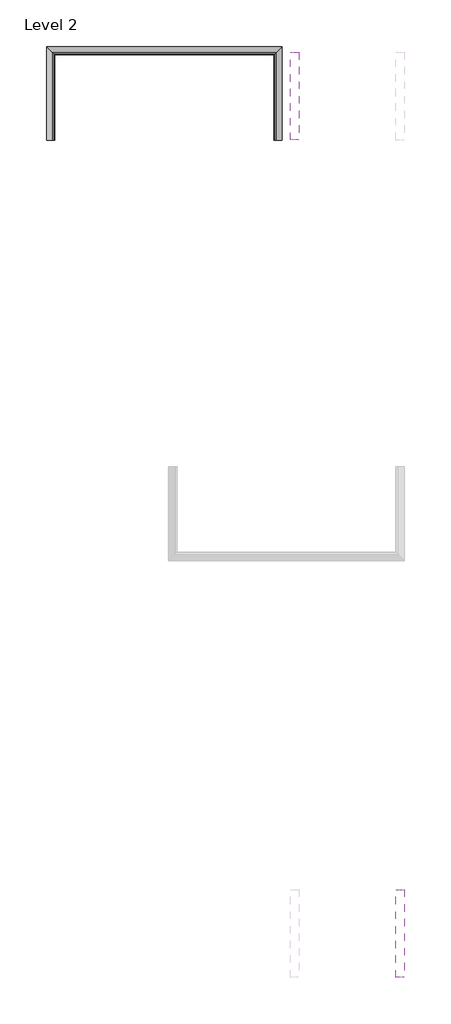
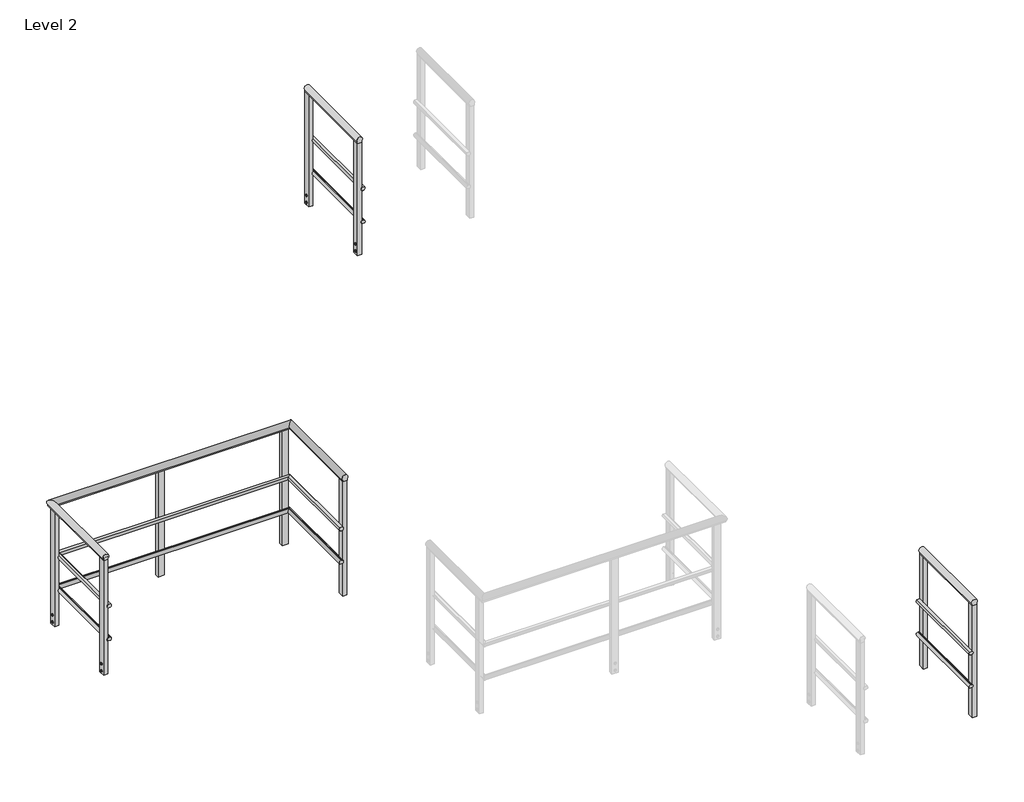
# One storey, part 2 of 7: 3 railings.
"""IFC4 building model written with IfcOpenShell, lengths in millimetres."""

import ifcopenshell
import ifcopenshell.guid

model = None  # the IFC model being written
_history = None  # IfcOwnerHistory: only IFC2X3 demands one
_inside = {}  # id of a spatial element -> (the spatial element, [elements in it])
_under = {}  # id of a project, library or spatial element -> (it, [spatial elements below it])
_declared = {}  # id of a project -> (the project, [libraries it declares])
_typed = {}  # id of a type object -> (the type object, [elements of that type])
_made_of = {}  # id of a material, layer set ... -> (it, [elements and type objects made of it])


def new_model(schema):
    """Start an empty IFC model of exactly this schema.

    Asked for "IFC4X3", IfcOpenShell would pick the latest addendum, in which some entities
    have other attributes; the version numbers below select the first issue.
    IFC2X3 requires an IfcOwnerHistory on every rooted entity: one is made here for all.
    """
    global model, _history
    if schema == "IFC4X3":
        model = ifcopenshell.file(schema_version=(4, 3, 0, 0))
    else:
        model = ifcopenshell.file(schema=schema)
    _inside.clear()
    _under.clear()
    _declared.clear()
    _typed.clear()
    _made_of.clear()
    _history = None
    if model.schema == "IFC2X3":
        org = make("IfcOrganization", Name="unknown")
        user = make(
            "IfcPersonAndOrganization",
            ThePerson=make("IfcPerson", FamilyName="unknown"),
            TheOrganization=org,
        )
        app = make(
            "IfcApplication",
            ApplicationDeveloper=org,
            Version="unknown",
            ApplicationFullName="unknown",
            ApplicationIdentifier="unknown",
        )
        _history = make(
            "IfcOwnerHistory",
            OwningUser=user,
            OwningApplication=app,
            ChangeAction="ADDED",
            CreationDate=0,
        )
    return model


def make(cls, **values):
    """One entity of the class cls with the attributes given. An attribute that is None is left unset."""
    return model.create_entity(
        cls, **{name: value for name, value in values.items() if value is not None}
    )


def rooted(cls, **values):
    """An entity with a GlobalId (a new one), such as an element, a storey or a relation."""
    return make(cls, GlobalId=ifcopenshell.guid.new(), OwnerHistory=_history, **values)


def si_unit(unit_type, name, prefix=None):
    """IfcSIUnit, for example si_unit("LENGTHUNIT", "METRE", prefix="MILLI")."""
    return make("IfcSIUnit", UnitType=unit_type, Prefix=prefix, Name=name)


def assignment(units):
    """IfcUnitAssignment: the units of a project."""
    return None if units is None else make("IfcUnitAssignment", Units=units)


def point(xyz):
    """IfcCartesianPoint."""
    return None if xyz is None else make("IfcCartesianPoint", Coordinates=xyz)


def direction(xyz):
    """IfcDirection."""
    return None if xyz is None else make("IfcDirection", DirectionRatios=xyz)


def frame(location, z_axis=None, x_axis=None):
    """IfcAxis2Placement3D, a coordinate frame: its origin and axes. An axis left out is left unset."""
    return make(
        "IfcAxis2Placement3D",
        Location=point(location),
        Axis=direction(z_axis),
        RefDirection=direction(x_axis),
    )


def frame_2d(location, x_axis=None):
    """IfcAxis2Placement2D, a coordinate frame in the plane: its origin and x axis."""
    return make(
        "IfcAxis2Placement2D", Location=point(location), RefDirection=direction(x_axis)
    )


def origin():
    """The frame at (0, 0, 0) with its axes left unset."""
    return frame((0.0, 0.0, 0.0))


def place(relative_to, where):
    """IfcLocalPlacement: puts the frame where relative to a parent placement (None: the world)."""
    return make(
        "IfcLocalPlacement", PlacementRelTo=relative_to, RelativePlacement=where
    )


def context(
    kind, dimensions, precision=None, world=None, true_north=None, identifier=None
):
    """IfcGeometricRepresentationContext, for example the 3D "Model" context."""
    return make(
        "IfcGeometricRepresentationContext",
        ContextIdentifier=identifier,
        ContextType=kind,
        CoordinateSpaceDimension=dimensions,
        Precision=precision,
        WorldCoordinateSystem=world,
        TrueNorth=true_north,
    )


def project(units=None, contexts=None):
    """IfcProject with its units and contexts."""
    return rooted(
        "IfcProject",
        Name="project",
        RepresentationContexts=contexts,
        UnitsInContext=assignment(units),
    )


def spatial(cls, under=None, at=None, **own):
    """A site, building, storey or space (cls), placed at a placement, below another one or the project."""
    s = rooted(cls, ObjectPlacement=at, **own)
    if under is not None:
        _under.setdefault(under.id(), (under, []))[1].append(s)
    return s


def polyline(points):
    """IfcPolyline through the points."""
    return make("IfcPolyline", Points=[point(p) for p in points])


def circle_curve(where, radius):
    """IfcCircle in the frame where."""
    return make("IfcCircle", Position=where, Radius=radius)


def ellipse_curve(where, semi_axis1, semi_axis2):
    """IfcEllipse in the frame where."""
    return make(
        "IfcEllipse", Position=where, SemiAxis1=semi_axis1, SemiAxis2=semi_axis2
    )


def trimmed(basis, trim1, trim2, sense, master):
    """IfcTrimmedCurve: the piece of a basis curve between two trims."""
    return make(
        "IfcTrimmedCurve",
        BasisCurve=basis,
        Trim1=trim1,
        Trim2=trim2,
        SenseAgreement=sense,
        MasterRepresentation=master,
    )


def segment(curve, same_sense, transition):
    """IfcCompositeCurveSegment."""
    return make(
        "IfcCompositeCurveSegment",
        Transition=transition,
        SameSense=same_sense,
        ParentCurve=curve,
    )


def composite_curve(segments, self_intersect=None):
    """IfcCompositeCurve: segments joined end to end."""
    return make("IfcCompositeCurve", Segments=segments, SelfIntersect=self_intersect)


def outline(outer, holes=None, kind="AREA"):
    """IfcArbitraryClosedProfileDef: a profile drawn as a closed curve; with holes, ...WithVoids."""
    if holes is None:
        return make("IfcArbitraryClosedProfileDef", ProfileType=kind, OuterCurve=outer)
    return make(
        "IfcArbitraryProfileDefWithVoids",
        ProfileType=kind,
        OuterCurve=outer,
        InnerCurves=holes,
    )


def extrude(swept, where, along, depth):
    """IfcExtrudedAreaSolid: the profile swept, set in the frame where, extruded along a direction by depth."""
    return make(
        "IfcExtrudedAreaSolid",
        SweptArea=swept,
        Position=where,
        ExtrudedDirection=direction(along),
        Depth=depth,
    )


def shape(context_of_items, identifier, shape_type, items):
    """IfcShapeRepresentation: the items that make up one representation, for example the "Body"."""
    return make(
        "IfcShapeRepresentation",
        ContextOfItems=context_of_items,
        RepresentationIdentifier=identifier,
        RepresentationType=shape_type,
        Items=items,
    )


def made_of(thing, what):
    """Note that an element or type object is made of a material, layer set ...; save() writes the relation."""
    if what is not None:
        _made_of.setdefault(what.id(), (what, []))[1].append(thing)
    return thing


def element(
    cls,
    number,
    at=None,
    inside=None,
    cuts=None,
    type_object=None,
    material=None,
    context=None,
    identifier="Body",
    shape_type=None,
    held_by="IfcProductDefinitionShape",
    body=None,
    shapes=None,
    **own,
):
    """One element of the class cls, such as IfcWall. Its Tag is "e" and its number.

    at: its placement. inside: the storey or other place that contains it. cuts: it is an
    opening in that element (IfcRelVoidsElement). A single representation is given by context,
    identifier, shape_type and body (its items); several are given by shapes. held_by: the class
    of the entity that holds the representations. save() writes the other relations.
    """
    e = rooted(cls, Tag="e%d" % number, ObjectPlacement=at, **own)
    if body is not None:
        shapes = [shape(context, identifier, shape_type, body)]
    if shapes is not None:
        e.Representation = make(held_by, Representations=shapes)
    if inside is not None:
        _inside.setdefault(inside.id(), (inside, []))[1].append(e)
    if cuts is not None:
        rooted(
            "IfcRelVoidsElement", RelatingBuildingElement=cuts, RelatedOpeningElement=e
        )
    if type_object is not None:
        _typed.setdefault(type_object.id(), (type_object, []))[1].append(e)
    return made_of(e, material)


def aggregate(whole, parts):
    """IfcRelAggregates: a whole, such as a stair, and the parts it consists of."""
    return rooted("IfcRelAggregates", RelatingObject=whole, RelatedObjects=parts)


def save(model, path):
    """Write the relations noted so far, then the file.

    IfcRelAggregates (storeys below a building ...), IfcRelContainedInSpatialStructure (elements
    in a storey), IfcRelDefinesByType, IfcRelAssociatesMaterial and IfcRelDeclares: one each for
    every whole, place, type object, material and project.
    """
    for whole, parts in _under.values():
        aggregate(whole, parts)
    for where, things in _inside.values():
        rooted(
            "IfcRelContainedInSpatialStructure",
            RelatedElements=things,
            RelatingStructure=where,
        )
    for kind, things in _typed.values():
        rooted("IfcRelDefinesByType", RelatedObjects=things, RelatingType=kind)
    for what, things in _made_of.values():
        rooted("IfcRelAssociatesMaterial", RelatedObjects=things, RelatingMaterial=what)
    for by, libraries in _declared.values():
        rooted("IfcRelDeclares", RelatingContext=by, RelatedDefinitions=libraries)
    model.write(path)


def plane_surface(at):
    """IfcPlane: the flat surface through the origin of the frame at, square to its z axis."""
    return make("IfcPlane", Position=at)


def cylinder_surface(at, radius):
    """IfcCylindricalSurface: all points at the distance radius from the z axis of the frame at."""
    return make("IfcCylindricalSurface", Position=at, Radius=radius)


def advanced_brep(points, edges, surfaces, faces):
    """IfcAdvancedBrep: a solid bounded by faces that lie on surfaces and meet in shared edges.

    An edge is (start, end): straight between two places in points (the first is 0);
    or (start, end, curve); or (start, end, curve, False) where it runs against its curve.
    A face is (place in surfaces, loops), or (place, loops, False) where it looks against
    its surface's normal. A loop lists edges by number (the first is 1), with a minus sign
    where the edge is run from its end to its start. The first loop is the outer one.
    """
    corners = [point(p) for p in points]
    vertices = [make("IfcVertexPoint", VertexGeometry=c) for c in corners]
    made = []
    for start, end, *more in edges:
        made.append(
            make(
                "IfcEdgeCurve",
                EdgeStart=vertices[start],
                EdgeEnd=vertices[end],
                EdgeGeometry=more[0] if more else make("IfcPolyline", Points=[corners[start], corners[end]]),
                SameSense=more[1] if len(more) > 1 else True,
            )
        )
    hull = []
    for where, loops, *sense in faces:
        bounds = []
        for j, loop in enumerate(loops):
            ring = [make("IfcOrientedEdge", EdgeElement=made[abs(k) - 1], Orientation=k > 0) for k in loop]
            bounds.append(
                make(
                    "IfcFaceOuterBound" if j == 0 else "IfcFaceBound",
                    Bound=make("IfcEdgeLoop", EdgeList=ring),
                    Orientation=True,
                )
            )
        hull.append(make("IfcAdvancedFace", Bounds=bounds, FaceSurface=surfaces[where], SameSense=sense[0] if sense else True))
    return make("IfcAdvancedBrep", Outer=make("IfcClosedShell", CfsFaces=hull))


model = new_model("IFC4")

# Units and contexts
model_context = context("Model", 3, world=origin())
ifc_project = project(units=[si_unit("LENGTHUNIT", "METRE", prefix="MILLI")], contexts=[model_context])

# Site, building, storey
site = spatial("IfcSite", under=ifc_project)
building = spatial("IfcBuilding", under=site)
storey = spatial("IfcBuildingStorey", under=building, Name="Level 2", Elevation=4000.0)

# Railings
placement = place(None, origin())
element("IfcRailing", 1, ObjectType="MT_Common stair with Handrail_Level 2", at=placement, inside=storey, context=model_context, shape_type="SolidModel", body=[
    advanced_brep(
    [(-18764.9412923, -989.7934894, 3374.3351439), (-18723.2412923, -1031.4934894, 3374.3351439), (-16511.7617574, -1031.4934894, 3374.3351439), (-16470.0617574, -989.7934894, 3374.3351439), (-18764.9412923, -989.7934894, 3361.5294118), (-16470.0617574, -989.7934894, 3361.5294118), (-18723.2412923, -1031.4934894, 3361.5294118), (-16511.7617574, -1031.4934894, 3361.5294118), (-16511.7617574, -1898.9832568, 3374.3351439), (-16511.7617574, -1898.9832568, 3361.5294118), (-16470.0617574, -1898.9832568, 3361.5294118), (-16470.0617574, -1898.9832568, 3374.3351439), (-18723.2412923, -1898.9832568, 3374.3351439), (-18764.9412923, -1898.9832568, 3374.3351439), (-18764.9412923, -1898.9832568, 3361.5294118), (-18723.2412923, -1898.9832568, 3361.5294118)],
    [
        (0, 1, ellipse_curve(frame((-18744.0912923, -1010.6434894, 3393.5294118), z_axis=(0.7071067811865492, 0.7071067811865457, 0.0), x_axis=(-0.7071067811865458, 0.7071067811865491, 0.0)), 40.0784834, 28.3397674)),
        (1, 2),
        (2, 3, ellipse_curve(frame((-16490.9117574, -1010.6434894, 3393.5294118), z_axis=(-0.7071067811865464, 0.7071067811865486, 0.0), x_axis=(-0.7071067811865487, -0.7071067811865464, 0.0)), 40.0784834, 28.3397674)),
        (3, 0),
        (4, 0),
        (3, 5),
        (5, 4),
        (6, 4),
        (5, 7),
        (7, 6),
        (1, 6),
        (7, 2),
        (8, 9),
        (9, 10),
        (10, 11),
        (11, 8, circle_curve(frame((-16490.9117574, -1898.9832568, 3393.5294118), z_axis=(0.0, -1.0, 0.0), x_axis=(1.0, 0.0, 0.0)), 28.3397674)),
        (2, 8),
        (11, 3),
        (10, 5),
        (9, 7),
        (12, 13, circle_curve(frame((-18744.0912923, -1898.9832568, 3393.5294118), z_axis=(0.0, -1.0, 0.0), x_axis=(-1.0, 0.0, 0.0)), 28.3397674)),
        (13, 14),
        (14, 15),
        (15, 12),
        (12, 1),
        (0, 13),
        (4, 14),
        (6, 15),
    ],
    [
        cylinder_surface(frame((-18744.0912923, -1010.6434894, 3393.5294118), z_axis=(-1.0, 0.0, 0.0), x_axis=(0.0, 1.0, 0.0)), 28.3397674),
        plane_surface(frame((-18764.9412923, -989.7934894, 3374.3351439), z_axis=(0.0, 1.0, 0.0), x_axis=(1.0, 0.0, 0.0))),
        plane_surface(frame((-18764.9412923, -989.7934894, 3361.5294118), z_axis=(0.0, 0.0, -1.0), x_axis=(1.0, 0.0, 0.0))),
        plane_surface(frame((-18723.2412923, -1031.4934894, 3361.5294118), z_axis=(0.0, -1.0, 0.0), x_axis=(1.0, 0.0, 0.0))),
        plane_surface(frame((-16490.9117574, -1898.9832568, 3361.5294118), z_axis=(0.0, -1.0, 0.0), x_axis=(0.0, 0.0, -1.0))),
        cylinder_surface(frame((-16490.9117574, -1010.6434894, 3393.5294118), z_axis=(0.0, 1.0, 0.0), x_axis=(1.0, 0.0, 0.0)), 28.3397674),
        plane_surface(frame((-16470.0617574, -989.7934894, 3374.3351439), z_axis=(1.0, 0.0, 0.0), x_axis=(0.0, -1.0, 0.0))),
        plane_surface(frame((-16470.0617574, -989.7934894, 3361.5294118), z_axis=(0.0, 0.0, -1.0), x_axis=(0.0, -1.0, 0.0))),
        plane_surface(frame((-16511.7617574, -1031.4934894, 3361.5294118), z_axis=(-1.0, 0.0, 0.0), x_axis=(0.0, -1.0, 0.0))),
        plane_surface(frame((-18744.0912923, -1898.9832568, 3361.5294118), z_axis=(0.0, -1.0, 0.0), x_axis=(0.0, 0.0, 1.0))),
        cylinder_surface(frame((-18744.0912923, -1898.9832568, 3393.5294118), z_axis=(0.0, -1.0, 0.0), x_axis=(-1.0, 0.0, 0.0)), 28.3397674),
        plane_surface(frame((-18764.9412923, -1898.9832568, 3374.3351439), z_axis=(-1.0, 0.0, 0.0), x_axis=(0.0, 1.0, 0.0))),
        plane_surface(frame((-18764.9412923, -1898.9832568, 3361.5294118), z_axis=(0.0, 0.0, -1.0), x_axis=(0.0, 1.0, 0.0))),
        plane_surface(frame((-18723.2412923, -1898.9832568, 3361.5294118), z_axis=(1.0, 0.0, 0.0), x_axis=(0.0, 1.0, 0.0))),
    ],
    [
        (0, [[1, 2, 3, 4]]),
        (1, [[5, -4, 6, 7]]),
        (2, [[8, -7, 9, 10]]),
        (3, [[11, -10, 12, -2]]),
        (4, [[13, 14, 15, 16]]),
        (5, [[-3, 17, -16, 18]]),
        (6, [[-6, -18, -15, 19]]),
        (7, [[-9, -19, -14, 20]]),
        (8, [[-12, -20, -13, -17]]),
        (9, [[21, 22, 23, 24]]),
        (10, [[-21, 25, -1, 26]]),
        (11, [[-22, -26, -5, 27]]),
        (12, [[-23, -27, -8, 28]]),
        (13, [[-24, -28, -11, -25]]),
    ],
),
    advanced_brep(
    [(-18704.6751475, -1898.9832568, 2877.5748155), (-18697.5227683, -1898.9832568, 2911.6294118), (-18723.9802814, -1898.9832568, 2911.6294118), (-18716.257742, -1898.9832568, 2877.4023066), (-18716.257742, -1898.9832568, 2881.6294118), (-18704.6751475, -1898.9832568, 2881.6294118), (-18704.6751475, -1050.0596342, 2881.6294118), (-18704.6751475, -1050.0596342, 2877.5748155), (-18716.257742, -1038.4770396, 2881.6294118), (-18716.257742, -1038.4770396, 2877.4023066), (-18723.9802814, -1030.7545002, 2911.6294118), (-18697.5227683, -1057.2120133, 2911.6294118), (-16530.3279022, -1050.0596342, 2881.6294118), (-16530.3279022, -1050.0596342, 2877.5748155), (-16518.7453076, -1038.4770396, 2881.6294118), (-16518.7453076, -1038.4770396, 2877.4023066), (-16511.0227683, -1030.7545002, 2911.6294118), (-16537.4802814, -1057.2120133, 2911.6294118), (-16530.3279022, -1898.9832568, 2877.5748155), (-16530.3279022, -1898.9832568, 2881.6294118), (-16518.7453076, -1898.9832568, 2881.6294118), (-16518.7453076, -1898.9832568, 2877.4023066), (-16511.0227683, -1898.9832568, 2911.6294118), (-16537.4802814, -1898.9832568, 2911.6294118)],
    [
        (0, 1, circle_curve(frame((-18710.7515248, -1898.9832568, 2896.6294118), z_axis=(0.0, -1.0, 0.0), x_axis=(0.0, 0.0, 1.0)), 20.0)),
        (1, 2),
        (2, 3, circle_curve(frame((-18710.7515248, -1898.9832568, 2896.6294118), z_axis=(0.0, -1.0, 0.0), x_axis=(0.0, 0.0, 1.0)), 20.0)),
        (3, 4),
        (4, 5),
        (5, 0),
        (5, 6),
        (6, 7),
        (7, 0),
        (4, 8),
        (8, 6),
        (3, 9),
        (9, 8),
        (2, 10),
        (10, 9, ellipse_curve(frame((-18710.7515248, -1043.9832568, 2896.6294118), z_axis=(-0.7071067811865492, -0.7071067811865457, 0.0), x_axis=(0.7071067811865456, -0.7071067811865493, 0.0)), 28.2842712, 20.0)),
        (1, 11),
        (11, 10),
        (7, 11, ellipse_curve(frame((-18710.7515248, -1043.9832568, 2896.6294118), z_axis=(-0.7071067811865492, -0.7071067811865457, 0.0), x_axis=(0.7071067811865456, -0.7071067811865493, 0.0)), 28.2842712, 20.0)),
        (6, 12),
        (12, 13),
        (13, 7),
        (8, 14),
        (14, 12),
        (9, 15),
        (15, 14),
        (10, 16),
        (16, 15, ellipse_curve(frame((-16524.2515248, -1043.9832568, 2896.6294118), z_axis=(-0.7071067811865464, 0.7071067811865486, 0.0), x_axis=(-0.7071067811865487, -0.7071067811865464, 0.0)), 28.2842712, 20.0)),
        (11, 17),
        (17, 16),
        (13, 17, ellipse_curve(frame((-16524.2515248, -1043.9832568, 2896.6294118), z_axis=(-0.7071067811865464, 0.7071067811865486, 0.0), x_axis=(-0.7071067811865487, -0.7071067811865464, 0.0)), 28.2842712, 20.0)),
        (18, 19),
        (19, 20),
        (20, 21),
        (21, 22, circle_curve(frame((-16524.2515248, -1898.9832568, 2896.6294118), z_axis=(0.0, -1.0, 0.0), x_axis=(0.0, 0.0, 1.0)), 20.0)),
        (22, 23),
        (23, 18, circle_curve(frame((-16524.2515248, -1898.9832568, 2896.6294118), z_axis=(0.0, -1.0, 0.0), x_axis=(0.0, 0.0, 1.0)), 20.0)),
        (12, 19),
        (18, 13),
        (14, 20),
        (15, 21),
        (16, 22),
        (17, 23),
    ],
    [
        plane_surface(frame((-18710.7515248, -1898.9832568, 2896.6294118), z_axis=(0.0, -1.0, 0.0), x_axis=(0.0, 0.0, 1.0))),
        plane_surface(frame((-18704.6751475, -1898.9832568, 2881.6294118), z_axis=(-1.0, 0.0, 0.0), x_axis=(0.0, 1.0, 0.0))),
        plane_surface(frame((-18716.257742, -1898.9832568, 2881.6294118), z_axis=(0.0, 0.0, -1.0), x_axis=(0.0, 1.0, 0.0))),
        plane_surface(frame((-18716.257742, -1898.9832568, 2877.4023066), z_axis=(1.0, 0.0, 0.0), x_axis=(0.0, 1.0, 0.0))),
        cylinder_surface(frame((-18710.7515248, -1898.9832568, 2896.6294118), z_axis=(0.0, -1.0, 0.0), x_axis=(0.0, 0.0, 1.0)), 20.0),
        plane_surface(frame((-18697.5227683, -1898.9832568, 2911.6294118), z_axis=(0.0, 0.0, 1.0), x_axis=(0.0, 1.0, 0.0))),
        plane_surface(frame((-18704.6751475, -1050.0596342, 2881.6294118), z_axis=(0.0, 1.0, 0.0), x_axis=(1.0, 0.0, 0.0))),
        plane_surface(frame((-18716.257742, -1038.4770396, 2881.6294118), z_axis=(0.0, 0.0, -1.0), x_axis=(1.0, 0.0, 0.0))),
        plane_surface(frame((-18716.257742, -1038.4770396, 2877.4023066), z_axis=(0.0, -1.0, 0.0), x_axis=(1.0, 0.0, 0.0))),
        cylinder_surface(frame((-18710.7515248, -1043.9832568, 2896.6294118), z_axis=(-1.0, 0.0, 0.0), x_axis=(0.0, 0.0, 1.0)), 20.0),
        plane_surface(frame((-18697.5227683, -1057.2120133, 2911.6294118), z_axis=(0.0, 0.0, 1.0), x_axis=(1.0, 0.0, 0.0))),
        plane_surface(frame((-16524.2515248, -1898.9832568, 2896.6294118), z_axis=(0.0, -1.0, 0.0), x_axis=(0.0, 0.0, -1.0))),
        plane_surface(frame((-16530.3279022, -1050.0596342, 2881.6294118), z_axis=(1.0, 0.0, 0.0), x_axis=(0.0, -1.0, 0.0))),
        plane_surface(frame((-16518.7453076, -1038.4770396, 2881.6294118), z_axis=(0.0, 0.0, -1.0), x_axis=(0.0, -1.0, 0.0))),
        plane_surface(frame((-16518.7453076, -1038.4770396, 2877.4023066), z_axis=(-1.0, 0.0, 0.0), x_axis=(0.0, -1.0, 0.0))),
        cylinder_surface(frame((-16524.2515248, -1043.9832568, 2896.6294118), z_axis=(0.0, 1.0, 0.0), x_axis=(0.0, 0.0, 1.0)), 20.0),
        plane_surface(frame((-16537.4802814, -1057.2120133, 2911.6294118), z_axis=(0.0, 0.0, 1.0), x_axis=(0.0, -1.0, 0.0))),
    ],
    [
        (0, [[1, 2, 3, 4, 5, 6]]),
        (1, [[-6, 7, 8, 9]]),
        (2, [[-5, 10, 11, -7]]),
        (3, [[-4, 12, 13, -10]]),
        (4, [[-3, 14, 15, -12]]),
        (5, [[-2, 16, 17, -14]]),
        (4, [[-1, -9, 18, -16]]),
        (6, [[-8, 19, 20, 21]]),
        (7, [[-11, 22, 23, -19]]),
        (8, [[-13, 24, 25, -22]]),
        (9, [[-15, 26, 27, -24]]),
        (10, [[-17, 28, 29, -26]]),
        (9, [[-18, -21, 30, -28]]),
        (11, [[31, 32, 33, 34, 35, 36]]),
        (12, [[-20, 37, -31, 38]]),
        (13, [[-23, 39, -32, -37]]),
        (14, [[-25, 40, -33, -39]]),
        (15, [[-27, 41, -34, -40]]),
        (16, [[-29, 42, -35, -41]]),
        (15, [[-30, -38, -36, -42]]),
    ],
),
    advanced_brep(
    [(-18716.8279022, -1898.9832568, 2584.584008), (-18723.9802814, -1898.9832568, 2550.5294118), (-18697.5227683, -1898.9832568, 2550.5294118), (-18705.2453076, -1898.9832568, 2584.7565169), (-18705.2453076, -1898.9832568, 2580.5294118), (-18716.8279022, -1898.9832568, 2580.5294118), (-18716.8279022, -1037.9068794, 2580.5294118), (-18716.8279022, -1037.9068794, 2584.584008), (-18705.2453076, -1049.489474, 2580.5294118), (-18705.2453076, -1049.489474, 2584.7565169), (-18697.5227683, -1057.2120133, 2550.5294118), (-18723.9802814, -1030.7545002, 2550.5294118), (-16518.1751475, -1037.9068794, 2580.5294118), (-16518.1751475, -1037.9068794, 2584.584008), (-16529.757742, -1049.489474, 2580.5294118), (-16529.757742, -1049.489474, 2584.7565169), (-16537.4802814, -1057.2120133, 2550.5294118), (-16511.0227683, -1030.7545002, 2550.5294118), (-16518.1751475, -1898.9832568, 2584.584008), (-16518.1751475, -1898.9832568, 2580.5294118), (-16529.757742, -1898.9832568, 2580.5294118), (-16529.757742, -1898.9832568, 2584.7565169), (-16537.4802814, -1898.9832568, 2550.5294118), (-16511.0227683, -1898.9832568, 2550.5294118)],
    [
        (0, 1, circle_curve(frame((-18710.7515248, -1898.9832568, 2565.5294118), z_axis=(0.0, -1.0, 0.0), x_axis=(0.0, 0.0, -1.0)), 20.0)),
        (1, 2),
        (2, 3, circle_curve(frame((-18710.7515248, -1898.9832568, 2565.5294118), z_axis=(0.0, -1.0, 0.0), x_axis=(0.0, 0.0, -1.0)), 20.0)),
        (3, 4),
        (4, 5),
        (5, 0),
        (5, 6),
        (6, 7),
        (7, 0),
        (4, 8),
        (8, 6),
        (3, 9),
        (9, 8),
        (2, 10),
        (10, 9, ellipse_curve(frame((-18710.7515248, -1043.9832568, 2565.5294118), z_axis=(-0.7071067811865492, -0.7071067811865457, 0.0), x_axis=(0.7071067811865456, -0.7071067811865493, 0.0)), 28.2842712, 20.0)),
        (1, 11),
        (11, 10),
        (7, 11, ellipse_curve(frame((-18710.7515248, -1043.9832568, 2565.5294118), z_axis=(-0.7071067811865492, -0.7071067811865457, 0.0), x_axis=(0.7071067811865456, -0.7071067811865493, 0.0)), 28.2842712, 20.0)),
        (6, 12),
        (12, 13),
        (13, 7),
        (8, 14),
        (14, 12),
        (9, 15),
        (15, 14),
        (10, 16),
        (16, 15, ellipse_curve(frame((-16524.2515248, -1043.9832568, 2565.5294118), z_axis=(-0.7071067811865464, 0.7071067811865486, 0.0), x_axis=(-0.7071067811865487, -0.7071067811865464, 0.0)), 28.2842712, 20.0)),
        (11, 17),
        (17, 16),
        (13, 17, ellipse_curve(frame((-16524.2515248, -1043.9832568, 2565.5294118), z_axis=(-0.7071067811865464, 0.7071067811865486, 0.0), x_axis=(-0.7071067811865487, -0.7071067811865464, 0.0)), 28.2842712, 20.0)),
        (18, 19),
        (19, 20),
        (20, 21),
        (21, 22, circle_curve(frame((-16524.2515248, -1898.9832568, 2565.5294118), z_axis=(0.0, -1.0, 0.0), x_axis=(0.0, 0.0, -1.0)), 20.0)),
        (22, 23),
        (23, 18, circle_curve(frame((-16524.2515248, -1898.9832568, 2565.5294118), z_axis=(0.0, -1.0, 0.0), x_axis=(0.0, 0.0, -1.0)), 20.0)),
        (12, 19),
        (18, 13),
        (14, 20),
        (15, 21),
        (16, 22),
        (17, 23),
    ],
    [
        plane_surface(frame((-18710.7515248, -1898.9832568, 2565.5294118), z_axis=(0.0, -1.0, 0.0), x_axis=(0.0, 0.0, 1.0))),
        plane_surface(frame((-18716.8279022, -1898.9832568, 2580.5294118), z_axis=(1.0, 0.0, 0.0), x_axis=(0.0, 1.0, 0.0))),
        plane_surface(frame((-18705.2453076, -1898.9832568, 2580.5294118), z_axis=(0.0, 0.0, 1.0), x_axis=(0.0, 1.0, 0.0))),
        plane_surface(frame((-18705.2453076, -1898.9832568, 2584.7565169), z_axis=(-1.0, 0.0, 0.0), x_axis=(0.0, 1.0, 0.0))),
        cylinder_surface(frame((-18710.7515248, -1898.9832568, 2565.5294118), z_axis=(0.0, -1.0, 0.0), x_axis=(0.0, 0.0, -1.0)), 20.0),
        plane_surface(frame((-18723.9802814, -1898.9832568, 2550.5294118), z_axis=(0.0, 0.0, -1.0), x_axis=(0.0, 1.0, 0.0))),
        plane_surface(frame((-18716.8279022, -1037.9068794, 2580.5294118), z_axis=(0.0, -1.0, 0.0), x_axis=(1.0, 0.0, 0.0))),
        plane_surface(frame((-18705.2453076, -1049.489474, 2580.5294118), z_axis=(0.0, 0.0, 1.0), x_axis=(1.0, 0.0, 0.0))),
        plane_surface(frame((-18705.2453076, -1049.489474, 2584.7565169), z_axis=(0.0, 1.0, 0.0), x_axis=(1.0, 0.0, 0.0))),
        cylinder_surface(frame((-18710.7515248, -1043.9832568, 2565.5294118), z_axis=(-1.0, 0.0, 0.0), x_axis=(0.0, 0.0, -1.0)), 20.0),
        plane_surface(frame((-18723.9802814, -1030.7545002, 2550.5294118), z_axis=(0.0, 0.0, -1.0), x_axis=(1.0, 0.0, 0.0))),
        plane_surface(frame((-16524.2515248, -1898.9832568, 2565.5294118), z_axis=(0.0, -1.0, 0.0), x_axis=(0.0, 0.0, -1.0))),
        plane_surface(frame((-16518.1751475, -1037.9068794, 2580.5294118), z_axis=(-1.0, 0.0, 0.0), x_axis=(0.0, -1.0, 0.0))),
        plane_surface(frame((-16529.757742, -1049.489474, 2580.5294118), z_axis=(0.0, 0.0, 1.0), x_axis=(0.0, -1.0, 0.0))),
        plane_surface(frame((-16529.757742, -1049.489474, 2584.7565169), z_axis=(1.0, 0.0, 0.0), x_axis=(0.0, -1.0, 0.0))),
        cylinder_surface(frame((-16524.2515248, -1043.9832568, 2565.5294118), z_axis=(0.0, 1.0, 0.0), x_axis=(0.0, 0.0, -1.0)), 20.0),
        plane_surface(frame((-16511.0227683, -1030.7545002, 2550.5294118), z_axis=(0.0, 0.0, -1.0), x_axis=(0.0, -1.0, 0.0))),
    ],
    [
        (0, [[1, 2, 3, 4, 5, 6]]),
        (1, [[-6, 7, 8, 9]]),
        (2, [[-5, 10, 11, -7]]),
        (3, [[-4, 12, 13, -10]]),
        (4, [[-3, 14, 15, -12]]),
        (5, [[-2, 16, 17, -14]]),
        (4, [[-1, -9, 18, -16]]),
        (6, [[-8, 19, 20, 21]]),
        (7, [[-11, 22, 23, -19]]),
        (8, [[-13, 24, 25, -22]]),
        (9, [[-15, 26, 27, -24]]),
        (10, [[-17, 28, 29, -26]]),
        (9, [[-18, -21, 30, -28]]),
        (11, [[31, 32, 33, 34, 35, 36]]),
        (12, [[-20, 37, -31, 38]]),
        (13, [[-23, 39, -32, -37]]),
        (14, [[-25, 40, -33, -39]]),
        (15, [[-27, 41, -34, -40]]),
        (16, [[-29, 42, -35, -41]]),
        (15, [[-30, -38, -36, -42]]),
    ],
),
    extrude(outline(composite_curve([segment(trimmed(circle_curve(frame_2d((2418.2294118, -17719.2515248)), 8.0), [point((2418.2294118, -17727.2515248))], [point((2418.2294118, -17711.2515248))], False, "CARTESIAN"), True, "CONTINUOUS"), segment(trimmed(circle_curve(frame_2d((2418.2294118, -17719.2515248)), 8.0), [point((2418.2294118, -17711.2515248))], [point((2418.2294118, -17727.2515248))], False, "CARTESIAN"), True, "CONTINUOUS")], self_intersect=False)), frame((0.0, -990.5332568, 0.0), z_axis=(0.0, 1.0, 0.0), x_axis=(0.0, 0.0, 1.0)), (0.0, 0.0, 1.0), 7.0),
    extrude(outline(composite_curve([segment(trimmed(circle_curve(frame_2d((2348.2294118, -17719.2515248)), 8.0), [point((2348.2294118, -17727.2515248))], [point((2348.2294118, -17711.2515248))], False, "CARTESIAN"), True, "CONTINUOUS"), segment(trimmed(circle_curve(frame_2d((2348.2294118, -17719.2515248)), 8.0), [point((2348.2294118, -17711.2515248))], [point((2348.2294118, -17727.2515248))], False, "CARTESIAN"), True, "CONTINUOUS")], self_intersect=False)), frame((0.0, -990.5332568, 0.0), z_axis=(0.0, 1.0, 0.0), x_axis=(0.0, 0.0, 1.0)), (0.0, 0.0, 1.0), 7.0),
    extrude(outline(polyline([(2359.7764171, -17719.2515248), (2354.0029145, -17729.2515248), (2342.4559091, -17729.2515248), (2336.6824064, -17719.2515248), (2342.4559091, -17709.2515248), (2354.0029145, -17709.2515248), (2359.7764171, -17719.2515248)])), frame((0.0, -990.5332568, 0.0), z_axis=(0.0, 1.0, 0.0), x_axis=(0.0, 0.0, 1.0)), (0.0, 0.0, 1.0), 5.0),
    extrude(outline(polyline([(2424.0029145, -17729.2515248), (2412.4559091, -17729.2515248), (2406.6824064, -17719.2515248), (2412.4559091, -17709.2515248), (2424.0029145, -17709.2515248), (2429.7764171, -17719.2515248), (2424.0029145, -17729.2515248)])), frame((0.0, -990.5332568, 0.0), z_axis=(0.0, 1.0, 0.0), x_axis=(0.0, 0.0, 1.0)), (0.0, 0.0, 1.0), 5.0),
    extrude(outline(polyline([(-17748.2515248, -990.5332568), (-17690.2515248, -990.5332568), (-17690.2515248, -1029.0332568), (-17748.2515248, -1029.0332568), (-17748.2515248, -990.5332568)])), frame((0.0, 0.0, 2318.2294118), z_axis=(0.0, 0.0, 1.0), x_axis=(1.0, 0.0, 0.0)), (0.0, 0.0, 1.0), 1073.3),
    extrude(outline(composite_curve([segment(trimmed(circle_curve(frame_2d((2321.8294118, -16549.2515248)), 8.0), [point((2321.8294118, -16557.2515248))], [point((2321.8294118, -16541.2515248))], False, "CARTESIAN"), True, "CONTINUOUS"), segment(trimmed(circle_curve(frame_2d((2321.8294118, -16549.2515248)), 8.0), [point((2321.8294118, -16541.2515248))], [point((2321.8294118, -16557.2515248))], False, "CARTESIAN"), True, "CONTINUOUS")], self_intersect=False)), frame((0.0, -990.5332568, 0.0), z_axis=(0.0, 1.0, 0.0), x_axis=(0.0, 0.0, 1.0)), (0.0, 0.0, 1.0), 7.0),
    extrude(outline(composite_curve([segment(trimmed(circle_curve(frame_2d((2251.8294118, -16549.2515248)), 8.0), [point((2251.8294118, -16557.2515248))], [point((2251.8294118, -16541.2515248))], False, "CARTESIAN"), True, "CONTINUOUS"), segment(trimmed(circle_curve(frame_2d((2251.8294118, -16549.2515248)), 8.0), [point((2251.8294118, -16541.2515248))], [point((2251.8294118, -16557.2515248))], False, "CARTESIAN"), True, "CONTINUOUS")], self_intersect=False)), frame((0.0, -990.5332568, 0.0), z_axis=(0.0, 1.0, 0.0), x_axis=(0.0, 0.0, 1.0)), (0.0, 0.0, 1.0), 7.0),
    extrude(outline(polyline([(2263.3764171, -16549.2515248), (2257.6029145, -16559.2515248), (2246.0559091, -16559.2515248), (2240.2824064, -16549.2515248), (2246.0559091, -16539.2515248), (2257.6029145, -16539.2515248), (2263.3764171, -16549.2515248)])), frame((0.0, -990.5332568, 0.0), z_axis=(0.0, 1.0, 0.0), x_axis=(0.0, 0.0, 1.0)), (0.0, 0.0, 1.0), 5.0),
    extrude(outline(polyline([(2327.6029145, -16559.2515248), (2316.0559091, -16559.2515248), (2310.2824064, -16549.2515248), (2316.0559091, -16539.2515248), (2327.6029145, -16539.2515248), (2333.3764171, -16549.2515248), (2327.6029145, -16559.2515248)])), frame((0.0, -990.5332568, 0.0), z_axis=(0.0, 1.0, 0.0), x_axis=(0.0, 0.0, 1.0)), (0.0, 0.0, 1.0), 5.0),
    extrude(outline(polyline([(-16578.2515248, -990.5332568), (-16520.2515248, -990.5332568), (-16520.2515248, -1029.0332568), (-16578.2515248, -1029.0332568), (-16578.2515248, -990.5332568)])), frame((0.0, 0.0, 2221.8294118), z_axis=(0.0, 0.0, 1.0), x_axis=(1.0, 0.0, 0.0)), (0.0, 0.0, 1.0), 1169.7),
    extrude(outline(composite_curve([segment(trimmed(circle_curve(frame_2d((-1068.9832568, 2321.8294118)), 8.0), [point((-1076.9832568, 2321.8294118))], [point((-1060.9832568, 2321.8294118))], False, "CARTESIAN"), True, "CONTINUOUS"), segment(trimmed(circle_curve(frame_2d((-1068.9832568, 2321.8294118)), 8.0), [point((-1060.9832568, 2321.8294118))], [point((-1076.9832568, 2321.8294118))], False, "CARTESIAN"), True, "CONTINUOUS")], self_intersect=False)), frame((-18771.2015248, 0.0, 0.0), z_axis=(1.0, 0.0, 0.0), x_axis=(0.0, 1.0, 0.0)), (0.0, 0.0, 1.0), 7.0),
    extrude(outline(composite_curve([segment(trimmed(circle_curve(frame_2d((-1068.9832568, 2251.8294118)), 8.0), [point((-1076.9832568, 2251.8294118))], [point((-1060.9832568, 2251.8294118))], False, "CARTESIAN"), True, "CONTINUOUS"), segment(trimmed(circle_curve(frame_2d((-1068.9832568, 2251.8294118)), 8.0), [point((-1060.9832568, 2251.8294118))], [point((-1076.9832568, 2251.8294118))], False, "CARTESIAN"), True, "CONTINUOUS")], self_intersect=False)), frame((-18771.2015248, 0.0, 0.0), z_axis=(1.0, 0.0, 0.0), x_axis=(0.0, 1.0, 0.0)), (0.0, 0.0, 1.0), 7.0),
    extrude(outline(polyline([(-1068.9832568, 2263.3764171), (-1058.9832568, 2257.6029145), (-1058.9832568, 2246.0559091), (-1068.9832568, 2240.2824064), (-1078.9832568, 2246.0559091), (-1078.9832568, 2257.6029145), (-1068.9832568, 2263.3764171)])), frame((-18769.2015248, 0.0, 0.0), z_axis=(1.0, 0.0, 0.0), x_axis=(0.0, 1.0, 0.0)), (0.0, 0.0, 1.0), 5.0),
    extrude(outline(polyline([(-1078.9832568, 2327.6029145), (-1068.9832568, 2333.3764171), (-1058.9832568, 2327.6029145), (-1058.9832568, 2316.0559091), (-1068.9832568, 2310.2824064), (-1078.9832568, 2316.0559091), (-1078.9832568, 2327.6029145)])), frame((-18769.2015248, 0.0, 0.0), z_axis=(1.0, 0.0, 0.0), x_axis=(0.0, 1.0, 0.0)), (0.0, 0.0, 1.0), 5.0),
    extrude(outline(polyline([(-18764.2015248, -1097.9832568), (-18764.2015248, -1039.9832568), (-18725.7015248, -1039.9832568), (-18725.7015248, -1097.9832568), (-18764.2015248, -1097.9832568)])), frame((0.0, 0.0, 2221.8294118), z_axis=(0.0, 0.0, 1.0), x_axis=(1.0, 0.0, 0.0)), (0.0, 0.0, 1.0), 1169.7),
    extrude(outline(composite_curve([segment(trimmed(circle_curve(frame_2d((-1868.9832568, 2321.8294118)), 8.0), [point((-1860.9832568, 2321.8294118))], [point((-1876.9832568, 2321.8294118))], False, "CARTESIAN"), True, "CONTINUOUS"), segment(trimmed(circle_curve(frame_2d((-1868.9832568, 2321.8294118)), 8.0), [point((-1876.9832568, 2321.8294118))], [point((-1860.9832568, 2321.8294118))], False, "CARTESIAN"), True, "CONTINUOUS")], self_intersect=False)), frame((-16470.8015248, 0.0, 0.0), z_axis=(1.0, 0.0, 0.0), x_axis=(0.0, 1.0, 0.0)), (0.0, 0.0, 1.0), 7.0),
    extrude(outline(composite_curve([segment(trimmed(circle_curve(frame_2d((-1868.9832568, 2251.8294118)), 8.0), [point((-1860.9832568, 2251.8294118))], [point((-1876.9832568, 2251.8294118))], False, "CARTESIAN"), True, "CONTINUOUS"), segment(trimmed(circle_curve(frame_2d((-1868.9832568, 2251.8294118)), 8.0), [point((-1876.9832568, 2251.8294118))], [point((-1860.9832568, 2251.8294118))], False, "CARTESIAN"), True, "CONTINUOUS")], self_intersect=False)), frame((-16470.8015248, 0.0, 0.0), z_axis=(1.0, 0.0, 0.0), x_axis=(0.0, 1.0, 0.0)), (0.0, 0.0, 1.0), 7.0),
    extrude(outline(polyline([(-1868.9832568, 2263.3764171), (-1858.9832568, 2257.6029145), (-1858.9832568, 2246.0559091), (-1868.9832568, 2240.2824064), (-1878.9832568, 2246.0559091), (-1878.9832568, 2257.6029145), (-1868.9832568, 2263.3764171)])), frame((-16470.8015248, 0.0, 0.0), z_axis=(1.0, 0.0, 0.0), x_axis=(0.0, 1.0, 0.0)), (0.0, 0.0, 1.0), 5.0),
    extrude(outline(polyline([(-1858.9832568, 2327.6029145), (-1858.9832568, 2316.0559091), (-1868.9832568, 2310.2824064), (-1878.9832568, 2316.0559091), (-1878.9832568, 2327.6029145), (-1868.9832568, 2333.3764171), (-1858.9832568, 2327.6029145)])), frame((-16470.8015248, 0.0, 0.0), z_axis=(1.0, 0.0, 0.0), x_axis=(0.0, 1.0, 0.0)), (0.0, 0.0, 1.0), 5.0),
    extrude(outline(polyline([(-16470.8015248, -1839.9832568), (-16470.8015248, -1897.9832568), (-16509.3015248, -1897.9832568), (-16509.3015248, -1839.9832568), (-16470.8015248, -1839.9832568)])), frame((0.0, 0.0, 2221.8294118), z_axis=(0.0, 0.0, 1.0), x_axis=(1.0, 0.0, 0.0)), (0.0, 0.0, 1.0), 1169.7),
    extrude(outline(composite_curve([segment(trimmed(circle_curve(frame_2d((-1868.9832568, 2321.8294118)), 8.0), [point((-1876.9832568, 2321.8294118))], [point((-1860.9832568, 2321.8294118))], False, "CARTESIAN"), True, "CONTINUOUS"), segment(trimmed(circle_curve(frame_2d((-1868.9832568, 2321.8294118)), 8.0), [point((-1860.9832568, 2321.8294118))], [point((-1876.9832568, 2321.8294118))], False, "CARTESIAN"), True, "CONTINUOUS")], self_intersect=False)), frame((-18771.2015248, 0.0, 0.0), z_axis=(1.0, 0.0, 0.0), x_axis=(0.0, 1.0, 0.0)), (0.0, 0.0, 1.0), 7.0),
    extrude(outline(composite_curve([segment(trimmed(circle_curve(frame_2d((-1868.9832568, 2251.8294118)), 8.0), [point((-1876.9832568, 2251.8294118))], [point((-1860.9832568, 2251.8294118))], False, "CARTESIAN"), True, "CONTINUOUS"), segment(trimmed(circle_curve(frame_2d((-1868.9832568, 2251.8294118)), 8.0), [point((-1860.9832568, 2251.8294118))], [point((-1876.9832568, 2251.8294118))], False, "CARTESIAN"), True, "CONTINUOUS")], self_intersect=False)), frame((-18771.2015248, 0.0, 0.0), z_axis=(1.0, 0.0, 0.0), x_axis=(0.0, 1.0, 0.0)), (0.0, 0.0, 1.0), 7.0),
    extrude(outline(polyline([(-1868.9832568, 2263.3764171), (-1858.9832568, 2257.6029145), (-1858.9832568, 2246.0559091), (-1868.9832568, 2240.2824064), (-1878.9832568, 2246.0559091), (-1878.9832568, 2257.6029145), (-1868.9832568, 2263.3764171)])), frame((-18769.2015248, 0.0, 0.0), z_axis=(1.0, 0.0, 0.0), x_axis=(0.0, 1.0, 0.0)), (0.0, 0.0, 1.0), 5.0),
    extrude(outline(polyline([(-1878.9832568, 2327.6029145), (-1868.9832568, 2333.3764171), (-1858.9832568, 2327.6029145), (-1858.9832568, 2316.0559091), (-1868.9832568, 2310.2824064), (-1878.9832568, 2316.0559091), (-1878.9832568, 2327.6029145)])), frame((-18769.2015248, 0.0, 0.0), z_axis=(1.0, 0.0, 0.0), x_axis=(0.0, 1.0, 0.0)), (0.0, 0.0, 1.0), 5.0),
    extrude(outline(polyline([(-18764.2015248, -1897.9832568), (-18764.2015248, -1839.9832568), (-18725.7015248, -1839.9832568), (-18725.7015248, -1897.9832568), (-18764.2015248, -1897.9832568)])), frame((0.0, 0.0, 2221.8294118), z_axis=(0.0, 0.0, 1.0), x_axis=(1.0, 0.0, 0.0)), (0.0, 0.0, 1.0), 1169.7),
])
element("IfcRailing", 2, ObjectType="MT_Common stair with Handrail_Level 4", at=placement, inside=storey, context=model_context, shape_type="SweptSolid", body=[
    extrude(outline(composite_curve([segment(trimmed(circle_curve(frame_2d((6710.0, -15294.4117574)), 28.3397674), [point((6690.8057322, -15273.5617574))], [point((6690.8057322, -15315.2617574))], False, "CARTESIAN"), True, "CONTINUOUS"), segment(polyline([(6690.8057322, -15315.2617574), (6678.0, -15315.2617574), (6678.0, -15273.5617574), (6690.8057322, -15273.5617574)]), True, "CONTINUOUS")], self_intersect=False)), frame((0.0, -10098.2332568, 0.0), z_axis=(0.0, 1.0, 0.0), x_axis=(0.0, 0.0, 1.0)), (0.0, 0.0, 1.0), 860.0),
    extrude(outline(composite_curve([segment(polyline([(6194.0454038, -15333.8279022), (6198.1, -15333.8279022), (6198.1, -15322.2453076), (6193.8728949, -15322.2453076)]), True, "CONTINUOUS"), segment(trimmed(circle_curve(frame_2d((6213.1, -15327.7515248)), 20.0), [point((6193.8728949, -15322.2453076))], [point((6228.1, -15314.5227683))], False, "CARTESIAN"), True, "CONTINUOUS"), segment(polyline([(6228.1, -15314.5227683), (6228.1, -15340.9802814)]), True, "CONTINUOUS"), segment(trimmed(circle_curve(frame_2d((6213.1, -15327.7515248)), 20.0), [point((6228.1, -15340.9802814))], [point((6194.0454038, -15333.8279022))], False, "CARTESIAN"), True, "CONTINUOUS")], self_intersect=False)), frame((0.0, -10098.2332568, 0.0), z_axis=(0.0, 1.0, 0.0), x_axis=(0.0, 0.0, 1.0)), (0.0, 0.0, 1.0), 860.0),
    extrude(outline(composite_curve([segment(polyline([(5901.0545962, -15321.6751475), (5897.0, -15321.6751475), (5897.0, -15333.257742), (5901.2271051, -15333.257742)]), True, "CONTINUOUS"), segment(trimmed(circle_curve(frame_2d((5882.0, -15327.7515248)), 20.0), [point((5901.2271051, -15333.257742))], [point((5867.0, -15340.9802814))], False, "CARTESIAN"), True, "CONTINUOUS"), segment(polyline([(5867.0, -15340.9802814), (5867.0, -15314.5227683)]), True, "CONTINUOUS"), segment(trimmed(circle_curve(frame_2d((5882.0, -15327.7515248)), 20.0), [point((5867.0, -15314.5227683))], [point((5901.0545962, -15321.6751475))], False, "CARTESIAN"), True, "CONTINUOUS")], self_intersect=False)), frame((0.0, -10098.2332568, 0.0), z_axis=(0.0, 1.0, 0.0), x_axis=(0.0, 0.0, 1.0)), (0.0, 0.0, 1.0), 860.0),
    extrude(outline(composite_curve([segment(trimmed(circle_curve(frame_2d((-9268.2332568, 5663.1)), 8.0), [point((-9276.2332568, 5663.1))], [point((-9260.2332568, 5663.1))], False, "CARTESIAN"), True, "CONTINUOUS"), segment(trimmed(circle_curve(frame_2d((-9268.2332568, 5663.1)), 8.0), [point((-9260.2332568, 5663.1))], [point((-9276.2332568, 5663.1))], False, "CARTESIAN"), True, "CONTINUOUS")], self_intersect=False)), frame((-15274.3015248, 0.0, 0.0), z_axis=(1.0, 0.0, 0.0), x_axis=(0.0, 1.0, 0.0)), (0.0, 0.0, 1.0), 7.0),
    extrude(outline(composite_curve([segment(trimmed(circle_curve(frame_2d((-9268.2332568, 5593.1)), 8.0), [point((-9276.2332568, 5593.1))], [point((-9260.2332568, 5593.1))], False, "CARTESIAN"), True, "CONTINUOUS"), segment(trimmed(circle_curve(frame_2d((-9268.2332568, 5593.1)), 8.0), [point((-9260.2332568, 5593.1))], [point((-9276.2332568, 5593.1))], False, "CARTESIAN"), True, "CONTINUOUS")], self_intersect=False)), frame((-15274.3015248, 0.0, 0.0), z_axis=(1.0, 0.0, 0.0), x_axis=(0.0, 1.0, 0.0)), (0.0, 0.0, 1.0), 7.0),
    extrude(outline(polyline([(-9268.2332568, 5604.6470054), (-9258.2332568, 5598.8735027), (-9258.2332568, 5587.3264973), (-9268.2332568, 5581.5529946), (-9278.2332568, 5587.3264973), (-9278.2332568, 5598.8735027), (-9268.2332568, 5604.6470054)])), frame((-15274.3015248, 0.0, 0.0), z_axis=(1.0, 0.0, 0.0), x_axis=(0.0, 1.0, 0.0)), (0.0, 0.0, 1.0), 5.0),
    extrude(outline(polyline([(-9278.2332568, 5668.8735027), (-9268.2332568, 5674.6470054), (-9258.2332568, 5668.8735027), (-9258.2332568, 5657.3264973), (-9268.2332568, 5651.5529946), (-9278.2332568, 5657.3264973), (-9278.2332568, 5668.8735027)])), frame((-15274.3015248, 0.0, 0.0), z_axis=(1.0, 0.0, 0.0), x_axis=(0.0, 1.0, 0.0)), (0.0, 0.0, 1.0), 5.0),
    extrude(outline(polyline([(-15274.3015248, -9297.2332568), (-15312.8015248, -9297.2332568), (-15312.8015248, -9239.2332568), (-15274.3015248, -9239.2332568), (-15274.3015248, -9297.2332568)])), frame((0.0, 0.0, 5563.1), z_axis=(0.0, 0.0, 1.0), x_axis=(1.0, 0.0, 0.0)), (0.0, 0.0, 1.0), 1144.9),
    extrude(outline(composite_curve([segment(trimmed(circle_curve(frame_2d((-10068.2332568, 5663.1)), 8.0), [point((-10076.2332568, 5663.1))], [point((-10060.2332568, 5663.1))], False, "CARTESIAN"), True, "CONTINUOUS"), segment(trimmed(circle_curve(frame_2d((-10068.2332568, 5663.1)), 8.0), [point((-10060.2332568, 5663.1))], [point((-10076.2332568, 5663.1))], False, "CARTESIAN"), True, "CONTINUOUS")], self_intersect=False)), frame((-15274.3015248, 0.0, 0.0), z_axis=(1.0, 0.0, 0.0), x_axis=(0.0, 1.0, 0.0)), (0.0, 0.0, 1.0), 7.0),
    extrude(outline(composite_curve([segment(trimmed(circle_curve(frame_2d((-10068.2332568, 5593.1)), 8.0), [point((-10076.2332568, 5593.1))], [point((-10060.2332568, 5593.1))], False, "CARTESIAN"), True, "CONTINUOUS"), segment(trimmed(circle_curve(frame_2d((-10068.2332568, 5593.1)), 8.0), [point((-10060.2332568, 5593.1))], [point((-10076.2332568, 5593.1))], False, "CARTESIAN"), True, "CONTINUOUS")], self_intersect=False)), frame((-15274.3015248, 0.0, 0.0), z_axis=(1.0, 0.0, 0.0), x_axis=(0.0, 1.0, 0.0)), (0.0, 0.0, 1.0), 7.0),
    extrude(outline(polyline([(-10068.2332568, 5604.6470054), (-10058.2332568, 5598.8735027), (-10058.2332568, 5587.3264973), (-10068.2332568, 5581.5529946), (-10078.2332568, 5587.3264973), (-10078.2332568, 5598.8735027), (-10068.2332568, 5604.6470054)])), frame((-15274.3015248, 0.0, 0.0), z_axis=(1.0, 0.0, 0.0), x_axis=(0.0, 1.0, 0.0)), (0.0, 0.0, 1.0), 5.0),
    extrude(outline(polyline([(-10078.2332568, 5668.8735027), (-10068.2332568, 5674.6470054), (-10058.2332568, 5668.8735027), (-10058.2332568, 5657.3264973), (-10068.2332568, 5651.5529946), (-10078.2332568, 5657.3264973), (-10078.2332568, 5668.8735027)])), frame((-15274.3015248, 0.0, 0.0), z_axis=(1.0, 0.0, 0.0), x_axis=(0.0, 1.0, 0.0)), (0.0, 0.0, 1.0), 5.0),
    extrude(outline(polyline([(-15274.3015248, -10097.2332568), (-15312.8015248, -10097.2332568), (-15312.8015248, -10039.2332568), (-15274.3015248, -10039.2332568), (-15274.3015248, -10097.2332568)])), frame((0.0, 0.0, 5563.1), z_axis=(0.0, 0.0, 1.0), x_axis=(1.0, 0.0, 0.0)), (0.0, 0.0, 1.0), 1144.9),
])
element("IfcRailing", 3, ObjectType="MT_Common stair with Handrail_Level 4", at=placement, inside=storey, context=model_context, shape_type="SweptSolid", body=[
    extrude(outline(composite_curve([segment(trimmed(circle_curve(frame_2d((6710.0, -16351.0912923)), 28.3397674), [point((6690.8057322, -16330.2412923))], [point((6690.8057322, -16371.9412923))], False, "CARTESIAN"), True, "CONTINUOUS"), segment(polyline([(6690.8057322, -16371.9412923), (6678.0, -16371.9412923), (6678.0, -16330.2412923), (6690.8057322, -16330.2412923)]), True, "CONTINUOUS")], self_intersect=False)), frame((0.0, -1897.2332568, 0.0), z_axis=(0.0, 1.0, 0.0), x_axis=(0.0, 0.0, 1.0)), (0.0, 0.0, 1.0), 858.25),
    extrude(outline(composite_curve([segment(trimmed(circle_curve(frame_2d((6213.1, -16317.7515248)), 20.0), [point((6194.0454038, -16311.6751475))], [point((6228.1, -16304.5227683))], False, "CARTESIAN"), True, "CONTINUOUS"), segment(polyline([(6228.1, -16304.5227683), (6228.1, -16330.9802814)]), True, "CONTINUOUS"), segment(trimmed(circle_curve(frame_2d((6213.1, -16317.7515248)), 20.0), [point((6228.1, -16330.9802814))], [point((6193.8728949, -16323.257742))], False, "CARTESIAN"), True, "CONTINUOUS"), segment(polyline([(6193.8728949, -16323.257742), (6198.1, -16323.257742), (6198.1, -16311.6751475), (6194.0454038, -16311.6751475)]), True, "CONTINUOUS")], self_intersect=False)), frame((0.0, -1897.2332568, 0.0), z_axis=(0.0, 1.0, 0.0), x_axis=(0.0, 0.0, 1.0)), (0.0, 0.0, 1.0), 858.25),
    extrude(outline(composite_curve([segment(trimmed(circle_curve(frame_2d((5882.0, -16317.7515248)), 20.0), [point((5901.0545962, -16323.8279022))], [point((5867.0, -16330.9802814))], False, "CARTESIAN"), True, "CONTINUOUS"), segment(polyline([(5867.0, -16330.9802814), (5867.0, -16304.5227683)]), True, "CONTINUOUS"), segment(trimmed(circle_curve(frame_2d((5882.0, -16317.7515248)), 20.0), [point((5867.0, -16304.5227683))], [point((5901.2271051, -16312.2453076))], False, "CARTESIAN"), True, "CONTINUOUS"), segment(polyline([(5901.2271051, -16312.2453076), (5897.0, -16312.2453076), (5897.0, -16323.8279022), (5901.0545962, -16323.8279022)]), True, "CONTINUOUS")], self_intersect=False)), frame((0.0, -1897.2332568, 0.0), z_axis=(0.0, 1.0, 0.0), x_axis=(0.0, 0.0, 1.0)), (0.0, 0.0, 1.0), 858.25),
    extrude(outline(composite_curve([segment(trimmed(circle_curve(frame_2d((-1068.9832568, 5663.1)), 8.0), [point((-1076.9832568, 5663.1))], [point((-1060.9832568, 5663.1))], False, "CARTESIAN"), True, "CONTINUOUS"), segment(trimmed(circle_curve(frame_2d((-1068.9832568, 5663.1)), 8.0), [point((-1060.9832568, 5663.1))], [point((-1076.9832568, 5663.1))], False, "CARTESIAN"), True, "CONTINUOUS")], self_intersect=False)), frame((-16378.2015248, 0.0, 0.0), z_axis=(1.0, 0.0, 0.0), x_axis=(0.0, 1.0, 0.0)), (0.0, 0.0, 1.0), 7.0),
    extrude(outline(composite_curve([segment(trimmed(circle_curve(frame_2d((-1068.9832568, 5593.1)), 8.0), [point((-1076.9832568, 5593.1))], [point((-1060.9832568, 5593.1))], False, "CARTESIAN"), True, "CONTINUOUS"), segment(trimmed(circle_curve(frame_2d((-1068.9832568, 5593.1)), 8.0), [point((-1060.9832568, 5593.1))], [point((-1076.9832568, 5593.1))], False, "CARTESIAN"), True, "CONTINUOUS")], self_intersect=False)), frame((-16378.2015248, 0.0, 0.0), z_axis=(1.0, 0.0, 0.0), x_axis=(0.0, 1.0, 0.0)), (0.0, 0.0, 1.0), 7.0),
    extrude(outline(polyline([(-1068.9832568, 5604.6470054), (-1058.9832568, 5598.8735027), (-1058.9832568, 5587.3264973), (-1068.9832568, 5581.5529946), (-1078.9832568, 5587.3264973), (-1078.9832568, 5598.8735027), (-1068.9832568, 5604.6470054)])), frame((-16376.2015248, 0.0, 0.0), z_axis=(1.0, 0.0, 0.0), x_axis=(0.0, 1.0, 0.0)), (0.0, 0.0, 1.0), 5.0),
    extrude(outline(polyline([(-1078.9832568, 5668.8735027), (-1068.9832568, 5674.6470054), (-1058.9832568, 5668.8735027), (-1058.9832568, 5657.3264973), (-1068.9832568, 5651.5529946), (-1078.9832568, 5657.3264973), (-1078.9832568, 5668.8735027)])), frame((-16376.2015248, 0.0, 0.0), z_axis=(1.0, 0.0, 0.0), x_axis=(0.0, 1.0, 0.0)), (0.0, 0.0, 1.0), 5.0),
    extrude(outline(polyline([(-16371.2015248, -1097.9832568), (-16371.2015248, -1039.9832568), (-16332.7015248, -1039.9832568), (-16332.7015248, -1097.9832568), (-16371.2015248, -1097.9832568)])), frame((0.0, 0.0, 5563.1), z_axis=(0.0, 0.0, 1.0), x_axis=(1.0, 0.0, 0.0)), (0.0, 0.0, 1.0), 1144.9),
    extrude(outline(composite_curve([segment(trimmed(circle_curve(frame_2d((-1867.2332568, 5663.1)), 8.0), [point((-1875.2332568, 5663.1))], [point((-1859.2332568, 5663.1))], False, "CARTESIAN"), True, "CONTINUOUS"), segment(trimmed(circle_curve(frame_2d((-1867.2332568, 5663.1)), 8.0), [point((-1859.2332568, 5663.1))], [point((-1875.2332568, 5663.1))], False, "CARTESIAN"), True, "CONTINUOUS")], self_intersect=False)), frame((-16378.2015248, 0.0, 0.0), z_axis=(1.0, 0.0, 0.0), x_axis=(0.0, 1.0, 0.0)), (0.0, 0.0, 1.0), 7.0),
    extrude(outline(composite_curve([segment(trimmed(circle_curve(frame_2d((-1867.2332568, 5593.1)), 8.0), [point((-1875.2332568, 5593.1))], [point((-1859.2332568, 5593.1))], False, "CARTESIAN"), True, "CONTINUOUS"), segment(trimmed(circle_curve(frame_2d((-1867.2332568, 5593.1)), 8.0), [point((-1859.2332568, 5593.1))], [point((-1875.2332568, 5593.1))], False, "CARTESIAN"), True, "CONTINUOUS")], self_intersect=False)), frame((-16378.2015248, 0.0, 0.0), z_axis=(1.0, 0.0, 0.0), x_axis=(0.0, 1.0, 0.0)), (0.0, 0.0, 1.0), 7.0),
    extrude(outline(polyline([(-1867.2332568, 5604.6470054), (-1857.2332568, 5598.8735027), (-1857.2332568, 5587.3264973), (-1867.2332568, 5581.5529946), (-1877.2332568, 5587.3264973), (-1877.2332568, 5598.8735027), (-1867.2332568, 5604.6470054)])), frame((-16376.2015248, 0.0, 0.0), z_axis=(1.0, 0.0, 0.0), x_axis=(0.0, 1.0, 0.0)), (0.0, 0.0, 1.0), 5.0),
    extrude(outline(polyline([(-1877.2332568, 5668.8735027), (-1867.2332568, 5674.6470054), (-1857.2332568, 5668.8735027), (-1857.2332568, 5657.3264973), (-1867.2332568, 5651.5529946), (-1877.2332568, 5657.3264973), (-1877.2332568, 5668.8735027)])), frame((-16376.2015248, 0.0, 0.0), z_axis=(1.0, 0.0, 0.0), x_axis=(0.0, 1.0, 0.0)), (0.0, 0.0, 1.0), 5.0),
    extrude(outline(polyline([(-16371.2015248, -1896.2332568), (-16371.2015248, -1838.2332568), (-16332.7015248, -1838.2332568), (-16332.7015248, -1896.2332568), (-16371.2015248, -1896.2332568)])), frame((0.0, 0.0, 5563.1), z_axis=(0.0, 0.0, 1.0), x_axis=(1.0, 0.0, 0.0)), (0.0, 0.0, 1.0), 1144.9),
])

save(model, "model.ifc")
